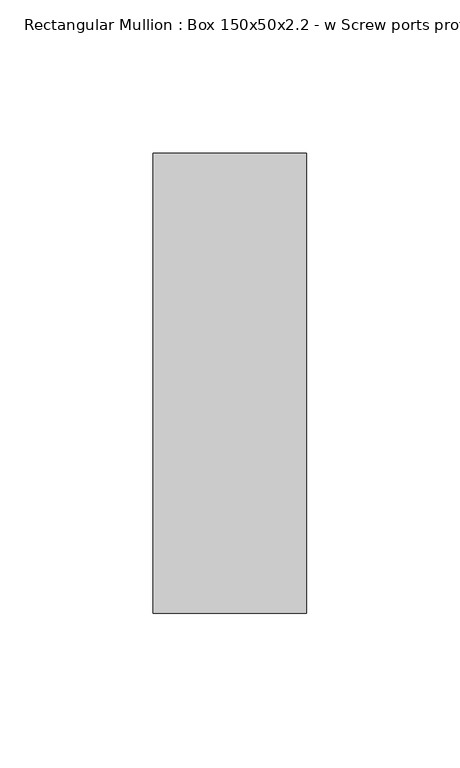
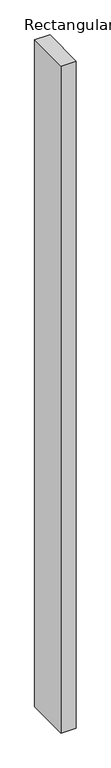
"""IFC4 building model written with IfcOpenShell, lengths in millimetres: member geometry, Rectangular Mullion : Box 150x50x2.2 - w Screw ports profile."""

from ifc_helpers import new_model, si_unit, frame, origin, place, context, project, spatial, polyline, outline, extrude, source, transform, mapped, element, save


def rectangular_mullion_box_150x50x2_2_w_screw_ports_profile_13502bb8(model_context):
    return source(origin(), model_context, "Body", "SweptSolid", [
        extrude(outline(polyline([(25.0, 75.0), (25.0, -75.0), (-25.0, -75.0), (-25.0, 75.0), (25.0, 75.0)])), frame((0.0, 0.0, -2317.3644067), z_axis=(0.0, 0.0, 1.0), x_axis=(1.0, 0.0, 0.0)), (0.0, 0.0, 1.0), 2317.3644067),
    ])


if __name__ == "__main__":
    model = new_model("IFC4")
    model_context = context("Model", 3, world=origin())
    ifc_project = project(units=[si_unit("LENGTHUNIT", "METRE", prefix="MILLI")], contexts=[model_context])
    site = spatial("IfcSite", under=ifc_project)
    building = spatial("IfcBuilding", under=site)
    placement = place(None, origin())
    rectangular_mullion_box_150x50x2_2_w_screw_ports_profile_shape = rectangular_mullion_box_150x50x2_2_w_screw_ports_profile_13502bb8(model_context)
    element("IfcMember", 1, ObjectType="Rectangular Mullion : Box 150x50x2.2 - w Screw ports profile", at=placement, inside=building, context=model_context, shape_type="MappedRepresentation", body=[
        mapped(rectangular_mullion_box_150x50x2_2_w_screw_ports_profile_shape, transform((0.0, 0.0, 0.0), x_axis=(1.0, 0.0, 0.0), y_axis=(0.0, 1.0, 0.0), z_axis=(0.0, 0.0, 1.0))),
    ])
    save(model, "model.ifc")
